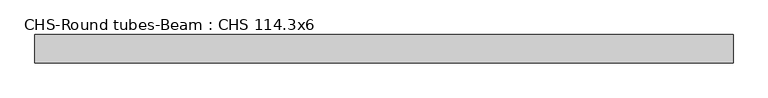
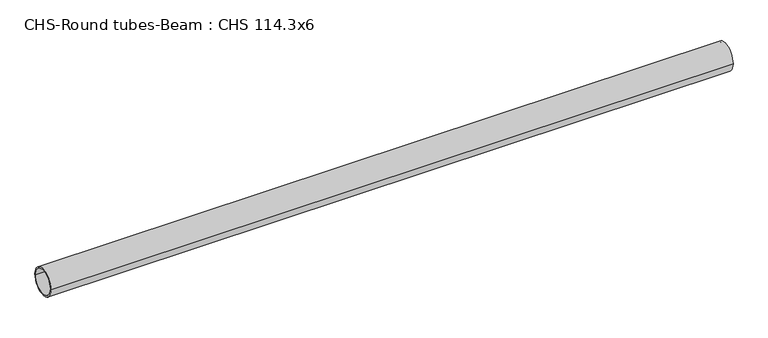
"""IFC4 building model written with IfcOpenShell, lengths in millimetres: beam geometry, CHS-Round tubes-Beam : CHS 114.3x6."""

from ifc_helpers import new_model, si_unit, point, frame, origin, origin_2d, place, context, project, spatial, circle_curve, trimmed, segment, composite_curve, outline, extrude, source, transform, mapped, element, save


def chs_round_tubes_beam_chs_114_3x6_42c606a9(model_context):
    return source(origin(), model_context, "Body", "SweptSolid", [
        extrude(outline(composite_curve([segment(trimmed(circle_curve(origin_2d(), 57.15), [point((57.15, 0.0))], [point((-57.15, 0.0))], False, "CARTESIAN"), True, "CONTINUOUS"), segment(trimmed(circle_curve(origin_2d(), 57.15), [point((-57.15, 0.0))], [point((57.15, 0.0))], False, "CARTESIAN"), True, "CONTINUOUS")], self_intersect=False), holes=[composite_curve([segment(trimmed(circle_curve(origin_2d(), 51.15), [point((51.15, 0.0))], [point((-51.15, 0.0))], True, "CARTESIAN"), True, "CONTINUOUS"), segment(trimmed(circle_curve(origin_2d(), 51.15), [point((-51.15, 0.0))], [point((51.15, 0.0))], True, "CARTESIAN"), True, "CONTINUOUS")], self_intersect=False)]), frame((-1406.3516794, 0.0, 0.0), z_axis=(1.0, 0.0, 0.0), x_axis=(0.0, 1.0, 0.0)), (0.0, 0.0, 1.0), 2824.1577875),
    ])


if __name__ == "__main__":
    model = new_model("IFC4")
    model_context = context("Model", 3, world=origin())
    ifc_project = project(units=[si_unit("LENGTHUNIT", "METRE", prefix="MILLI")], contexts=[model_context])
    site = spatial("IfcSite", under=ifc_project)
    building = spatial("IfcBuilding", under=site)
    placement = place(None, origin())
    chs_round_tubes_beam_chs_114_3x6_shape = chs_round_tubes_beam_chs_114_3x6_42c606a9(model_context)
    element("IfcBeam", 1, ObjectType="CHS-Round tubes-Beam : CHS 114.3x6", at=placement, inside=building, context=model_context, shape_type="MappedRepresentation", body=[
        mapped(chs_round_tubes_beam_chs_114_3x6_shape, transform((0.0, 0.0, 0.0), x_axis=(1.0, 0.0, 0.0), y_axis=(0.0, 1.0, 0.0), z_axis=(0.0, 0.0, 1.0))),
    ])
    save(model, "model.ifc")
